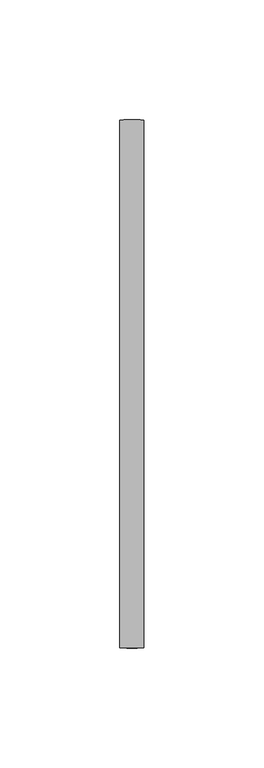
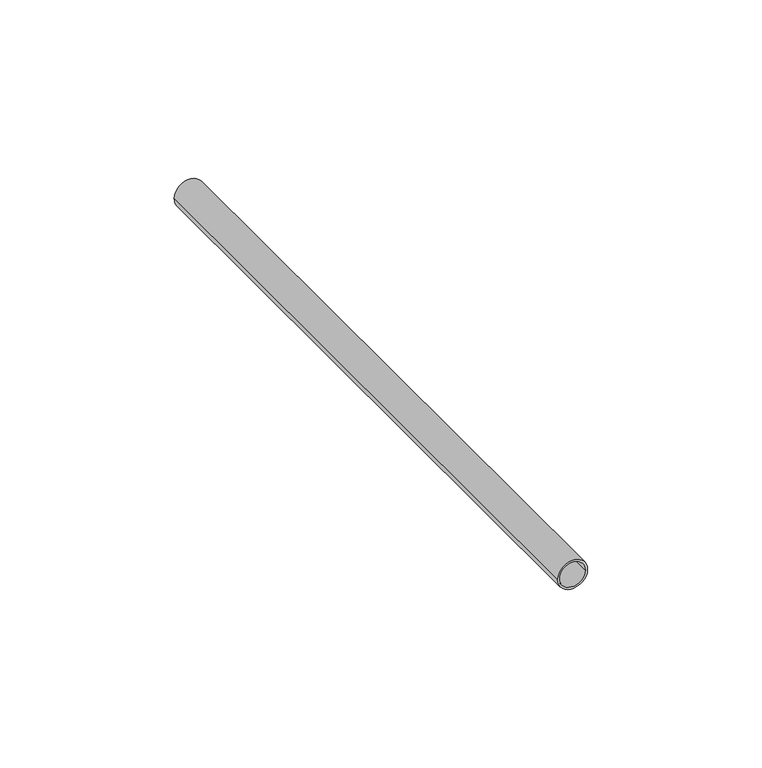
"""IFC4 building model written with IfcOpenShell, lengths in millimetres: proxy geometry."""

from ifc_helpers import new_model, si_unit, point, frame, origin, origin_2d, place, context, project, spatial, circle_curve, trimmed, segment, composite_curve, outline, extrude, source, transform, mapped, element, save


def generic_models_bdd5e711(model_context):
    return source(origin(), model_context, "Body", "SweptSolid", [
        extrude(outline(composite_curve([segment(trimmed(circle_curve(origin_2d(), 5.0), [point((0.0, 5.0))], [point((0.0, -5.0))], False, "CARTESIAN"), True, "CONTINUOUS"), segment(trimmed(circle_curve(origin_2d(), 5.0), [point((0.0, -5.0))], [point((0.0, 5.0))], False, "CARTESIAN"), True, "CONTINUOUS")], self_intersect=False), holes=[composite_curve([segment(trimmed(circle_curve(origin_2d(), 4.25), [point((0.0, -4.25))], [point((0.0, 4.25))], True, "CARTESIAN"), True, "CONTINUOUS"), segment(trimmed(circle_curve(origin_2d(), 4.25), [point((0.0, 4.25))], [point((0.0, -4.25))], True, "CARTESIAN"), True, "CONTINUOUS")], self_intersect=False)]), frame((0.0, -110.0, 0.0), z_axis=(0.0, 1.0, 0.0), x_axis=(0.0, 0.0, 1.0)), (0.0, 0.0, 1.0), 220.0),
    ])


if __name__ == "__main__":
    model = new_model("IFC4")
    model_context = context("Model", 3, world=origin())
    ifc_project = project(units=[si_unit("LENGTHUNIT", "METRE", prefix="MILLI")], contexts=[model_context])
    site = spatial("IfcSite", under=ifc_project)
    building = spatial("IfcBuilding", under=site)
    placement = place(None, origin())
    generic_models_shape = generic_models_bdd5e711(model_context)
    element("IfcBuildingElementProxy", 1, Name="Generic Models", at=placement, inside=building, context=model_context, shape_type="MappedRepresentation", body=[
        mapped(generic_models_shape, transform((0.0, 0.0, 0.0), x_axis=(1.0, 0.0, 0.0), y_axis=(0.0, 1.0, 0.0), z_axis=(0.0, 0.0, 1.0))),
    ])
    save(model, "model.ifc")
